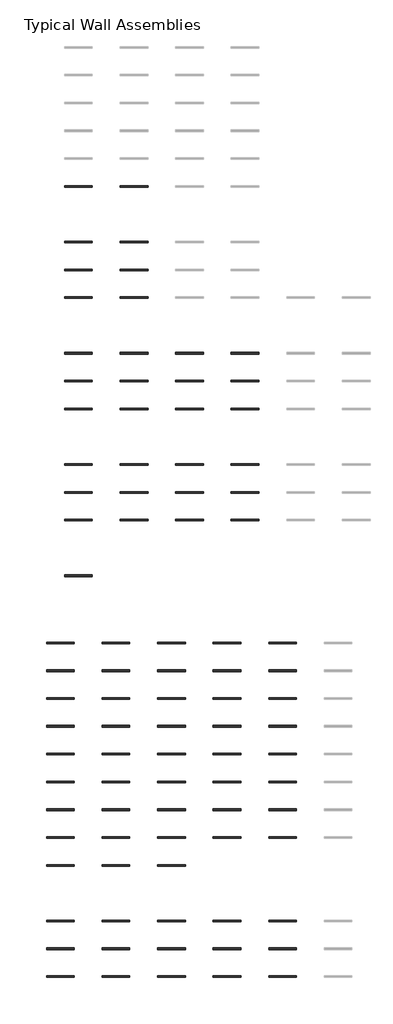
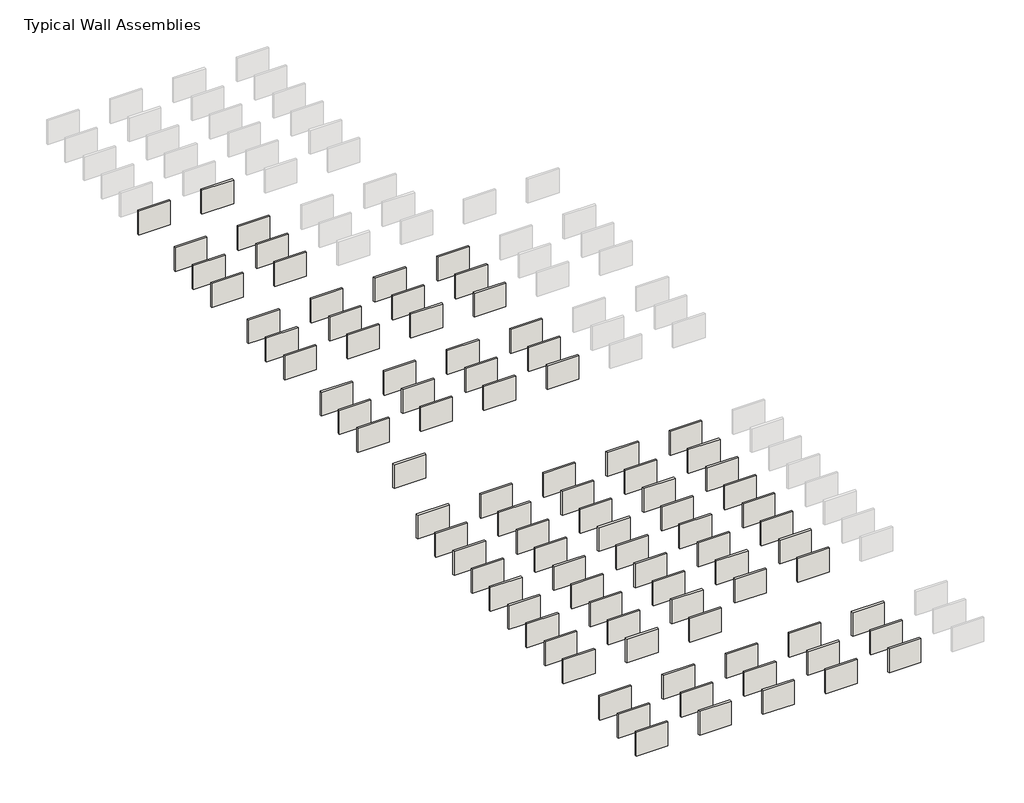
# One storey, part 1 of 8: 91 walls.
"""IFC4 building model written with IfcOpenShell, lengths in millimetres."""

from ifc_helpers import new_model, si_unit, frame, origin, place, context, project, spatial, polyline, outline, extrude, element, save

model = new_model("IFC4")

# Units and contexts
model_context = context("Model", 3, world=origin())
ifc_project = project(units=[si_unit("LENGTHUNIT", "METRE", prefix="MILLI")], contexts=[model_context])

# Site, building, storey
site = spatial("IfcSite", under=ifc_project)
building = spatial("IfcBuilding", under=site)
storey = spatial("IfcBuildingStorey", under=building, Name="Typical Wall Assemblies", Elevation=6096.0)

# Walls
placement = place(None, origin())
element("IfcWall", 1, at=placement, inside=storey, context=model_context, shape_type="SweptSolid", body=[
    extrude(outline(polyline([(-21027.125069, -146182.4405032), (-24075.125069, -146182.4405032), (-24075.125069, -146006.2279991), (-21027.125069, -146006.2279991), (-21027.125069, -146182.4405032)])), frame((0.0, 0.0, 6096.0), z_axis=(0.0, 0.0, 1.0), x_axis=(1.0, 0.0, 0.0)), (0.0, 0.0, 1.0), 2438.4),
])
element("IfcWall", 2, at=placement, inside=storey, context=model_context, shape_type="SweptSolid", body=[
    extrude(outline(polyline([(-21027.125069, -152279.2279032), (-24075.125069, -152279.2279032), (-24075.125069, -152101.4405991), (-21027.125069, -152101.4405991), (-21027.125069, -152279.2279032)])), frame((0.0, 0.0, 6096.0), z_axis=(0.0, 0.0, 1.0), x_axis=(1.0, 0.0, 0.0)), (0.0, 0.0, 1.0), 2438.4),
])
element("IfcWall", 3, at=placement, inside=storey, context=model_context, shape_type="SweptSolid", body=[
    extrude(outline(polyline([(-14931.125069, -146182.4405032), (-17979.125069, -146182.4405032), (-17979.125069, -146006.2279991), (-14931.125069, -146006.2279991), (-14931.125069, -146182.4405032)])), frame((0.0, 0.0, 6096.0), z_axis=(0.0, 0.0, 1.0), x_axis=(1.0, 0.0, 0.0)), (0.0, 0.0, 1.0), 2438.4),
])
element("IfcWall", 4, at=placement, inside=storey, context=model_context, shape_type="SweptSolid", body=[
    extrude(outline(polyline([(-14931.125069, -152279.2279032), (-17979.125069, -152279.2279032), (-17979.125069, -152101.4405991), (-14931.125069, -152101.4405991), (-14931.125069, -152279.2279032)])), frame((0.0, 0.0, 6096.0), z_axis=(0.0, 0.0, 1.0), x_axis=(1.0, 0.0, 0.0)), (0.0, 0.0, 1.0), 2438.4),
])
element("IfcWall", 5, at=placement, inside=storey, context=model_context, shape_type="SweptSolid", body=[
    extrude(outline(polyline([(-21027.125069, -155327.2279032), (-24075.125069, -155327.2279032), (-24075.125069, -155149.4405991), (-21027.125069, -155149.4405991), (-21027.125069, -155327.2279032)])), frame((0.0, 0.0, 6096.0), z_axis=(0.0, 0.0, 1.0), x_axis=(1.0, 0.0, 0.0)), (0.0, 0.0, 1.0), 2438.4),
])
element("IfcWall", 6, at=placement, inside=storey, context=model_context, shape_type="SweptSolid", body=[
    extrude(outline(polyline([(-21027.125069, -158375.2279032), (-24075.125069, -158375.2279032), (-24075.125069, -158197.4405991), (-21027.125069, -158197.4405991), (-21027.125069, -158375.2279032)])), frame((0.0, 0.0, 6096.0), z_axis=(0.0, 0.0, 1.0), x_axis=(1.0, 0.0, 0.0)), (0.0, 0.0, 1.0), 2438.4),
])
element("IfcWall", 7, at=placement, inside=storey, context=model_context, shape_type="SweptSolid", body=[
    extrude(outline(polyline([(-21027.125069, -164471.2279032), (-24075.125069, -164471.2279032), (-24075.125069, -164293.4405991), (-21027.125069, -164293.4405991), (-21027.125069, -164471.2279032)])), frame((0.0, 0.0, 6096.0), z_axis=(0.0, 0.0, 1.0), x_axis=(1.0, 0.0, 0.0)), (0.0, 0.0, 1.0), 2438.4),
])
element("IfcWall", 8, at=placement, inside=storey, context=model_context, shape_type="SweptSolid", body=[
    extrude(outline(polyline([(-21027.125069, -167519.2279032), (-24075.125069, -167519.2279032), (-24075.125069, -167341.4405991), (-21027.125069, -167341.4405991), (-21027.125069, -167519.2279032)])), frame((0.0, 0.0, 6096.0), z_axis=(0.0, 0.0, 1.0), x_axis=(1.0, 0.0, 0.0)), (0.0, 0.0, 1.0), 2438.4),
])
element("IfcWall", 9, at=placement, inside=storey, context=model_context, shape_type="SweptSolid", body=[
    extrude(outline(polyline([(-14931.125069, -155327.2279032), (-17979.125069, -155327.2279032), (-17979.125069, -155149.4405991), (-14931.125069, -155149.4405991), (-14931.125069, -155327.2279032)])), frame((0.0, 0.0, 6096.0), z_axis=(0.0, 0.0, 1.0), x_axis=(1.0, 0.0, 0.0)), (0.0, 0.0, 1.0), 2438.4),
])
element("IfcWall", 10, at=placement, inside=storey, context=model_context, shape_type="SweptSolid", body=[
    extrude(outline(polyline([(-14931.125069, -158375.2279032), (-17979.125069, -158375.2279032), (-17979.125069, -158197.4405991), (-14931.125069, -158197.4405991), (-14931.125069, -158375.2279032)])), frame((0.0, 0.0, 6096.0), z_axis=(0.0, 0.0, 1.0), x_axis=(1.0, 0.0, 0.0)), (0.0, 0.0, 1.0), 2438.4),
])
element("IfcWall", 11, at=placement, inside=storey, context=model_context, shape_type="SweptSolid", body=[
    extrude(outline(polyline([(-14931.125069, -164471.2279032), (-17979.125069, -164471.2279032), (-17979.125069, -164293.4405991), (-14931.125069, -164293.4405991), (-14931.125069, -164471.2279032)])), frame((0.0, 0.0, 6096.0), z_axis=(0.0, 0.0, 1.0), x_axis=(1.0, 0.0, 0.0)), (0.0, 0.0, 1.0), 2438.4),
])
element("IfcWall", 12, at=placement, inside=storey, context=model_context, shape_type="SweptSolid", body=[
    extrude(outline(polyline([(-8835.125069, -164471.2279032), (-11883.125069, -164471.2279032), (-11883.125069, -164293.4405991), (-8835.125069, -164293.4405991), (-8835.125069, -164471.2279032)])), frame((0.0, 0.0, 6096.0), z_axis=(0.0, 0.0, 1.0), x_axis=(1.0, 0.0, 0.0)), (0.0, 0.0, 1.0), 2438.4),
])
element("IfcWall", 13, at=placement, inside=storey, context=model_context, shape_type="SweptSolid", body=[
    extrude(outline(polyline([(-2739.125069, -164471.2279032), (-5787.125069, -164471.2279032), (-5787.125069, -164293.4405991), (-2739.125069, -164293.4405991), (-2739.125069, -164471.2279032)])), frame((0.0, 0.0, 6096.0), z_axis=(0.0, 0.0, 1.0), x_axis=(1.0, 0.0, 0.0)), (0.0, 0.0, 1.0), 2438.4),
])
element("IfcWall", 14, at=placement, inside=storey, context=model_context, shape_type="SweptSolid", body=[
    extrude(outline(polyline([(-14931.125069, -167519.2279032), (-17979.125069, -167519.2279032), (-17979.125069, -167341.4405991), (-14931.125069, -167341.4405991), (-14931.125069, -167519.2279032)])), frame((0.0, 0.0, 6096.0), z_axis=(0.0, 0.0, 1.0), x_axis=(1.0, 0.0, 0.0)), (0.0, 0.0, 1.0), 2438.4),
])
element("IfcWall", 15, at=placement, inside=storey, context=model_context, shape_type="SweptSolid", body=[
    extrude(outline(polyline([(-8835.125069, -167519.2279032), (-11883.125069, -167519.2279032), (-11883.125069, -167341.4405991), (-8835.125069, -167341.4405991), (-8835.125069, -167519.2279032)])), frame((0.0, 0.0, 6096.0), z_axis=(0.0, 0.0, 1.0), x_axis=(1.0, 0.0, 0.0)), (0.0, 0.0, 1.0), 2438.4),
])
element("IfcWall", 16, at=placement, inside=storey, context=model_context, shape_type="SweptSolid", body=[
    extrude(outline(polyline([(-2739.125069, -167519.2279032), (-5787.125069, -167519.2279032), (-5787.125069, -167341.4405991), (-2739.125069, -167341.4405991), (-2739.125069, -167519.2279032)])), frame((0.0, 0.0, 6096.0), z_axis=(0.0, 0.0, 1.0), x_axis=(1.0, 0.0, 0.0)), (0.0, 0.0, 1.0), 2438.4),
])
element("IfcWall", 17, at=placement, inside=storey, context=model_context, shape_type="SweptSolid", body=[
    extrude(outline(polyline([(-21027.125069, -170567.2279032), (-24075.125069, -170567.2279032), (-24075.125069, -170389.4405991), (-21027.125069, -170389.4405991), (-21027.125069, -170567.2279032)])), frame((0.0, 0.0, 6096.0), z_axis=(0.0, 0.0, 1.0), x_axis=(1.0, 0.0, 0.0)), (0.0, 0.0, 1.0), 2438.4),
])
element("IfcWall", 18, at=placement, inside=storey, context=model_context, shape_type="SweptSolid", body=[
    extrude(outline(polyline([(-21027.125069, -176663.2279032), (-24075.125069, -176663.2279032), (-24075.125069, -176485.4405991), (-21027.125069, -176485.4405991), (-21027.125069, -176663.2279032)])), frame((0.0, 0.0, 6096.0), z_axis=(0.0, 0.0, 1.0), x_axis=(1.0, 0.0, 0.0)), (0.0, 0.0, 1.0), 2438.4),
])
element("IfcWall", 19, at=placement, inside=storey, context=model_context, shape_type="SweptSolid", body=[
    extrude(outline(polyline([(-21027.125069, -179711.2279032), (-24075.125069, -179711.2279032), (-24075.125069, -179533.4405991), (-21027.125069, -179533.4405991), (-21027.125069, -179711.2279032)])), frame((0.0, 0.0, 6096.0), z_axis=(0.0, 0.0, 1.0), x_axis=(1.0, 0.0, 0.0)), (0.0, 0.0, 1.0), 2438.4),
])
element("IfcWall", 20, at=placement, inside=storey, context=model_context, shape_type="SweptSolid", body=[
    extrude(outline(polyline([(-21027.125069, -182759.2279032), (-24075.125069, -182759.2279032), (-24075.125069, -182581.4405991), (-21027.125069, -182581.4405991), (-21027.125069, -182759.2279032)])), frame((0.0, 0.0, 6096.0), z_axis=(0.0, 0.0, 1.0), x_axis=(1.0, 0.0, 0.0)), (0.0, 0.0, 1.0), 2438.4),
])
element("IfcWall", 21, at=placement, inside=storey, context=model_context, shape_type="SweptSolid", body=[
    extrude(outline(polyline([(-14931.125069, -170567.2279032), (-17979.125069, -170567.2279032), (-17979.125069, -170389.4405991), (-14931.125069, -170389.4405991), (-14931.125069, -170567.2279032)])), frame((0.0, 0.0, 6096.0), z_axis=(0.0, 0.0, 1.0), x_axis=(1.0, 0.0, 0.0)), (0.0, 0.0, 1.0), 2438.4),
])
element("IfcWall", 22, at=placement, inside=storey, context=model_context, shape_type="SweptSolid", body=[
    extrude(outline(polyline([(-8835.125069, -170567.2279032), (-11883.125069, -170567.2279032), (-11883.125069, -170389.4405991), (-8835.125069, -170389.4405991), (-8835.125069, -170567.2279032)])), frame((0.0, 0.0, 6096.0), z_axis=(0.0, 0.0, 1.0), x_axis=(1.0, 0.0, 0.0)), (0.0, 0.0, 1.0), 2438.4),
])
element("IfcWall", 23, at=placement, inside=storey, context=model_context, shape_type="SweptSolid", body=[
    extrude(outline(polyline([(-2739.125069, -170567.2279032), (-5787.125069, -170567.2279032), (-5787.125069, -170389.4405991), (-2739.125069, -170389.4405991), (-2739.125069, -170567.2279032)])), frame((0.0, 0.0, 6096.0), z_axis=(0.0, 0.0, 1.0), x_axis=(1.0, 0.0, 0.0)), (0.0, 0.0, 1.0), 2438.4),
])
element("IfcWall", 24, at=placement, inside=storey, context=model_context, shape_type="SweptSolid", body=[
    extrude(outline(polyline([(-14931.125069, -176663.2279032), (-17979.125069, -176663.2279032), (-17979.125069, -176485.4405991), (-14931.125069, -176485.4405991), (-14931.125069, -176663.2279032)])), frame((0.0, 0.0, 6096.0), z_axis=(0.0, 0.0, 1.0), x_axis=(1.0, 0.0, 0.0)), (0.0, 0.0, 1.0), 2438.4),
])
element("IfcWall", 25, at=placement, inside=storey, context=model_context, shape_type="SweptSolid", body=[
    extrude(outline(polyline([(-8835.125069, -176663.2279032), (-11883.125069, -176663.2279032), (-11883.125069, -176485.4405991), (-8835.125069, -176485.4405991), (-8835.125069, -176663.2279032)])), frame((0.0, 0.0, 6096.0), z_axis=(0.0, 0.0, 1.0), x_axis=(1.0, 0.0, 0.0)), (0.0, 0.0, 1.0), 2438.4),
])
element("IfcWall", 26, at=placement, inside=storey, context=model_context, shape_type="SweptSolid", body=[
    extrude(outline(polyline([(-2739.125069, -176663.2279032), (-5787.125069, -176663.2279032), (-5787.125069, -176485.4405991), (-2739.125069, -176485.4405991), (-2739.125069, -176663.2279032)])), frame((0.0, 0.0, 6096.0), z_axis=(0.0, 0.0, 1.0), x_axis=(1.0, 0.0, 0.0)), (0.0, 0.0, 1.0), 2438.4),
])
element("IfcWall", 27, at=placement, inside=storey, context=model_context, shape_type="SweptSolid", body=[
    extrude(outline(polyline([(-14931.125069, -179711.2279032), (-17979.125069, -179711.2279032), (-17979.125069, -179533.4405991), (-14931.125069, -179533.4405991), (-14931.125069, -179711.2279032)])), frame((0.0, 0.0, 6096.0), z_axis=(0.0, 0.0, 1.0), x_axis=(1.0, 0.0, 0.0)), (0.0, 0.0, 1.0), 2438.4),
])
element("IfcWall", 28, at=placement, inside=storey, context=model_context, shape_type="SweptSolid", body=[
    extrude(outline(polyline([(-8835.125069, -179711.2279032), (-11883.125069, -179711.2279032), (-11883.125069, -179533.4405991), (-8835.125069, -179533.4405991), (-8835.125069, -179711.2279032)])), frame((0.0, 0.0, 6096.0), z_axis=(0.0, 0.0, 1.0), x_axis=(1.0, 0.0, 0.0)), (0.0, 0.0, 1.0), 2438.4),
])
element("IfcWall", 29, at=placement, inside=storey, context=model_context, shape_type="SweptSolid", body=[
    extrude(outline(polyline([(-2739.125069, -179711.2279032), (-5787.125069, -179711.2279032), (-5787.125069, -179533.4405991), (-2739.125069, -179533.4405991), (-2739.125069, -179711.2279032)])), frame((0.0, 0.0, 6096.0), z_axis=(0.0, 0.0, 1.0), x_axis=(1.0, 0.0, 0.0)), (0.0, 0.0, 1.0), 2438.4),
])
element("IfcWall", 30, at=placement, inside=storey, context=model_context, shape_type="SweptSolid", body=[
    extrude(outline(polyline([(-14931.125069, -182759.2279032), (-17979.125069, -182759.2279032), (-17979.125069, -182581.4405991), (-14931.125069, -182581.4405991), (-14931.125069, -182759.2279032)])), frame((0.0, 0.0, 6096.0), z_axis=(0.0, 0.0, 1.0), x_axis=(1.0, 0.0, 0.0)), (0.0, 0.0, 1.0), 2438.4),
])
element("IfcWall", 31, at=placement, inside=storey, context=model_context, shape_type="SweptSolid", body=[
    extrude(outline(polyline([(-8835.125069, -182759.2279032), (-11883.125069, -182759.2279032), (-11883.125069, -182581.4405991), (-8835.125069, -182581.4405991), (-8835.125069, -182759.2279032)])), frame((0.0, 0.0, 6096.0), z_axis=(0.0, 0.0, 1.0), x_axis=(1.0, 0.0, 0.0)), (0.0, 0.0, 1.0), 2438.4),
])
element("IfcWall", 32, at=placement, inside=storey, context=model_context, shape_type="SweptSolid", body=[
    extrude(outline(polyline([(-2739.125069, -182759.2279032), (-5787.125069, -182759.2279032), (-5787.125069, -182581.4405991), (-2739.125069, -182581.4405991), (-2739.125069, -182759.2279032)])), frame((0.0, 0.0, 6096.0), z_axis=(0.0, 0.0, 1.0), x_axis=(1.0, 0.0, 0.0)), (0.0, 0.0, 1.0), 2438.4),
])
element("IfcWall", 33, at=placement, inside=storey, context=model_context, shape_type="SweptSolid", body=[
    extrude(outline(polyline([(-21027.125069, -188855.2279032), (-24075.125069, -188855.2279032), (-24075.125069, -188677.4405991), (-21027.125069, -188677.4405991), (-21027.125069, -188855.2279032)])), frame((0.0, 0.0, 6096.0), z_axis=(0.0, 0.0, 1.0), x_axis=(1.0, 0.0, 0.0)), (0.0, 0.0, 1.0), 2438.4),
])
element("IfcWall", 34, at=placement, inside=storey, context=model_context, shape_type="SweptSolid", body=[
    extrude(outline(polyline([(-23008.325069, -196211.6362056), (-26056.325069, -196211.6362056), (-26056.325069, -196025.8987021), (-23008.325069, -196025.8987021), (-23008.325069, -196211.6362056)])), frame((0.0, 0.0, 6096.0), z_axis=(0.0, 0.0, 1.0), x_axis=(1.0, 0.0, 0.0)), (0.0, 0.0, 1.0), 2438.4),
])
element("IfcWall", 35, at=placement, inside=storey, context=model_context, shape_type="SweptSolid", body=[
    extrude(outline(polyline([(-16912.325069, -196211.6362056), (-19960.325069, -196211.6362056), (-19960.325069, -196025.8987021), (-16912.325069, -196025.8987021), (-16912.325069, -196211.6362056)])), frame((0.0, 0.0, 6096.0), z_axis=(0.0, 0.0, 1.0), x_axis=(1.0, 0.0, 0.0)), (0.0, 0.0, 1.0), 2438.4),
])
element("IfcWall", 36, at=placement, inside=storey, context=model_context, shape_type="SweptSolid", body=[
    extrude(outline(polyline([(-10816.325069, -196211.6362056), (-13864.325069, -196211.6362056), (-13864.325069, -196025.8987021), (-10816.325069, -196025.8987021), (-10816.325069, -196211.6362056)])), frame((0.0, 0.0, 6096.0), z_axis=(0.0, 0.0, 1.0), x_axis=(1.0, 0.0, 0.0)), (0.0, 0.0, 1.0), 2438.4),
])
element("IfcWall", 37, at=placement, inside=storey, context=model_context, shape_type="SweptSolid", body=[
    extrude(outline(polyline([(-4720.325069, -196211.6362056), (-7768.325069, -196211.6362056), (-7768.325069, -196025.8987021), (-4720.325069, -196025.8987021), (-4720.325069, -196211.6362056)])), frame((0.0, 0.0, 6096.0), z_axis=(0.0, 0.0, 1.0), x_axis=(1.0, 0.0, 0.0)), (0.0, 0.0, 1.0), 2438.4),
])
element("IfcWall", 38, at=placement, inside=storey, context=model_context, shape_type="SweptSolid", body=[
    extrude(outline(polyline([(1375.674931, -196211.6362056), (-1672.325069, -196211.6362056), (-1672.325069, -196025.8987021), (1375.674931, -196025.8987021), (1375.674931, -196211.6362056)])), frame((0.0, 0.0, 6096.0), z_axis=(0.0, 0.0, 1.0), x_axis=(1.0, 0.0, 0.0)), (0.0, 0.0, 1.0), 2438.4),
])
element("IfcWall", 39, at=placement, inside=storey, context=model_context, shape_type="SweptSolid", body=[
    extrude(outline(polyline([(-23008.325069, -199259.6362056), (-26056.325069, -199259.6362056), (-26056.325069, -199073.8987021), (-23008.325069, -199073.8987021), (-23008.325069, -199259.6362056)])), frame((0.0, 0.0, 6096.0), z_axis=(0.0, 0.0, 1.0), x_axis=(1.0, 0.0, 0.0)), (0.0, 0.0, 1.0), 2438.4),
])
element("IfcWall", 40, at=placement, inside=storey, context=model_context, shape_type="SweptSolid", body=[
    extrude(outline(polyline([(-23008.325069, -202307.6362056), (-26056.325069, -202307.6362056), (-26056.325069, -202121.8987021), (-23008.325069, -202121.8987021), (-23008.325069, -202307.6362056)])), frame((0.0, 0.0, 6096.0), z_axis=(0.0, 0.0, 1.0), x_axis=(1.0, 0.0, 0.0)), (0.0, 0.0, 1.0), 2438.4),
])
element("IfcWall", 41, at=placement, inside=storey, context=model_context, shape_type="SweptSolid", body=[
    extrude(outline(polyline([(-23008.325069, -205355.6362056), (-26056.325069, -205355.6362056), (-26056.325069, -205169.8987021), (-23008.325069, -205169.8987021), (-23008.325069, -205355.6362056)])), frame((0.0, 0.0, 6096.0), z_axis=(0.0, 0.0, 1.0), x_axis=(1.0, 0.0, 0.0)), (0.0, 0.0, 1.0), 2438.4),
])
element("IfcWall", 42, at=placement, inside=storey, context=model_context, shape_type="SweptSolid", body=[
    extrude(outline(polyline([(-23008.325069, -208403.6362056), (-26056.325069, -208403.6362056), (-26056.325069, -208217.8987021), (-23008.325069, -208217.8987021), (-23008.325069, -208403.6362056)])), frame((0.0, 0.0, 6096.0), z_axis=(0.0, 0.0, 1.0), x_axis=(1.0, 0.0, 0.0)), (0.0, 0.0, 1.0), 2438.4),
])
element("IfcWall", 43, at=placement, inside=storey, context=model_context, shape_type="SweptSolid", body=[
    extrude(outline(polyline([(-16912.325069, -199259.6362056), (-19960.325069, -199259.6362056), (-19960.325069, -199073.8987021), (-16912.325069, -199073.8987021), (-16912.325069, -199259.6362056)])), frame((0.0, 0.0, 6096.0), z_axis=(0.0, 0.0, 1.0), x_axis=(1.0, 0.0, 0.0)), (0.0, 0.0, 1.0), 2438.4),
])
element("IfcWall", 44, at=placement, inside=storey, context=model_context, shape_type="SweptSolid", body=[
    extrude(outline(polyline([(-10816.325069, -199259.6362056), (-13864.325069, -199259.6362056), (-13864.325069, -199073.8987021), (-10816.325069, -199073.8987021), (-10816.325069, -199259.6362056)])), frame((0.0, 0.0, 6096.0), z_axis=(0.0, 0.0, 1.0), x_axis=(1.0, 0.0, 0.0)), (0.0, 0.0, 1.0), 2438.4),
])
element("IfcWall", 45, at=placement, inside=storey, context=model_context, shape_type="SweptSolid", body=[
    extrude(outline(polyline([(-4720.325069, -199259.6362056), (-7768.325069, -199259.6362056), (-7768.325069, -199073.8987021), (-4720.325069, -199073.8987021), (-4720.325069, -199259.6362056)])), frame((0.0, 0.0, 6096.0), z_axis=(0.0, 0.0, 1.0), x_axis=(1.0, 0.0, 0.0)), (0.0, 0.0, 1.0), 2438.4),
])
element("IfcWall", 46, at=placement, inside=storey, context=model_context, shape_type="SweptSolid", body=[
    extrude(outline(polyline([(1375.674931, -199259.6362056), (-1672.325069, -199259.6362056), (-1672.325069, -199073.8987021), (1375.674931, -199073.8987021), (1375.674931, -199259.6362056)])), frame((0.0, 0.0, 6096.0), z_axis=(0.0, 0.0, 1.0), x_axis=(1.0, 0.0, 0.0)), (0.0, 0.0, 1.0), 2438.4),
])
element("IfcWall", 47, at=placement, inside=storey, context=model_context, shape_type="SweptSolid", body=[
    extrude(outline(polyline([(-16912.325069, -202307.6362056), (-19960.325069, -202307.6362056), (-19960.325069, -202121.8987021), (-16912.325069, -202121.8987021), (-16912.325069, -202307.6362056)])), frame((0.0, 0.0, 6096.0), z_axis=(0.0, 0.0, 1.0), x_axis=(1.0, 0.0, 0.0)), (0.0, 0.0, 1.0), 2438.4),
])
element("IfcWall", 48, at=placement, inside=storey, context=model_context, shape_type="SweptSolid", body=[
    extrude(outline(polyline([(-10816.325069, -202307.6362056), (-13864.325069, -202307.6362056), (-13864.325069, -202121.8987021), (-10816.325069, -202121.8987021), (-10816.325069, -202307.6362056)])), frame((0.0, 0.0, 6096.0), z_axis=(0.0, 0.0, 1.0), x_axis=(1.0, 0.0, 0.0)), (0.0, 0.0, 1.0), 2438.4),
])
element("IfcWall", 49, at=placement, inside=storey, context=model_context, shape_type="SweptSolid", body=[
    extrude(outline(polyline([(-4720.325069, -202307.6362056), (-7768.325069, -202307.6362056), (-7768.325069, -202121.8987021), (-4720.325069, -202121.8987021), (-4720.325069, -202307.6362056)])), frame((0.0, 0.0, 6096.0), z_axis=(0.0, 0.0, 1.0), x_axis=(1.0, 0.0, 0.0)), (0.0, 0.0, 1.0), 2438.4),
])
element("IfcWall", 50, at=placement, inside=storey, context=model_context, shape_type="SweptSolid", body=[
    extrude(outline(polyline([(1375.674931, -202307.6362056), (-1672.325069, -202307.6362056), (-1672.325069, -202121.8987021), (1375.674931, -202121.8987021), (1375.674931, -202307.6362056)])), frame((0.0, 0.0, 6096.0), z_axis=(0.0, 0.0, 1.0), x_axis=(1.0, 0.0, 0.0)), (0.0, 0.0, 1.0), 2438.4),
])
element("IfcWall", 51, at=placement, inside=storey, context=model_context, shape_type="SweptSolid", body=[
    extrude(outline(polyline([(-16912.325069, -205355.6362056), (-19960.325069, -205355.6362056), (-19960.325069, -205169.8987021), (-16912.325069, -205169.8987021), (-16912.325069, -205355.6362056)])), frame((0.0, 0.0, 6096.0), z_axis=(0.0, 0.0, 1.0), x_axis=(1.0, 0.0, 0.0)), (0.0, 0.0, 1.0), 2438.4),
])
element("IfcWall", 52, at=placement, inside=storey, context=model_context, shape_type="SweptSolid", body=[
    extrude(outline(polyline([(-10816.325069, -205355.6362056), (-13864.325069, -205355.6362056), (-13864.325069, -205169.8987021), (-10816.325069, -205169.8987021), (-10816.325069, -205355.6362056)])), frame((0.0, 0.0, 6096.0), z_axis=(0.0, 0.0, 1.0), x_axis=(1.0, 0.0, 0.0)), (0.0, 0.0, 1.0), 2438.4),
])
element("IfcWall", 53, at=placement, inside=storey, context=model_context, shape_type="SweptSolid", body=[
    extrude(outline(polyline([(-4720.325069, -205355.6362056), (-7768.325069, -205355.6362056), (-7768.325069, -205169.8987021), (-4720.325069, -205169.8987021), (-4720.325069, -205355.6362056)])), frame((0.0, 0.0, 6096.0), z_axis=(0.0, 0.0, 1.0), x_axis=(1.0, 0.0, 0.0)), (0.0, 0.0, 1.0), 2438.4),
])
element("IfcWall", 54, at=placement, inside=storey, context=model_context, shape_type="SweptSolid", body=[
    extrude(outline(polyline([(1375.674931, -205355.6362056), (-1672.325069, -205355.6362056), (-1672.325069, -205169.8987021), (1375.674931, -205169.8987021), (1375.674931, -205355.6362056)])), frame((0.0, 0.0, 6096.0), z_axis=(0.0, 0.0, 1.0), x_axis=(1.0, 0.0, 0.0)), (0.0, 0.0, 1.0), 2438.4),
])
element("IfcWall", 55, at=placement, inside=storey, context=model_context, shape_type="SweptSolid", body=[
    extrude(outline(polyline([(-16912.325069, -208403.6362056), (-19960.325069, -208403.6362056), (-19960.325069, -208217.8987021), (-16912.325069, -208217.8987021), (-16912.325069, -208403.6362056)])), frame((0.0, 0.0, 6096.0), z_axis=(0.0, 0.0, 1.0), x_axis=(1.0, 0.0, 0.0)), (0.0, 0.0, 1.0), 2438.4),
])
element("IfcWall", 56, at=placement, inside=storey, context=model_context, shape_type="SweptSolid", body=[
    extrude(outline(polyline([(-10816.325069, -208403.6362056), (-13864.325069, -208403.6362056), (-13864.325069, -208217.8987021), (-10816.325069, -208217.8987021), (-10816.325069, -208403.6362056)])), frame((0.0, 0.0, 6096.0), z_axis=(0.0, 0.0, 1.0), x_axis=(1.0, 0.0, 0.0)), (0.0, 0.0, 1.0), 2438.4),
])
element("IfcWall", 57, at=placement, inside=storey, context=model_context, shape_type="SweptSolid", body=[
    extrude(outline(polyline([(-4720.325069, -208403.6362056), (-7768.325069, -208403.6362056), (-7768.325069, -208217.8987021), (-4720.325069, -208217.8987021), (-4720.325069, -208403.6362056)])), frame((0.0, 0.0, 6096.0), z_axis=(0.0, 0.0, 1.0), x_axis=(1.0, 0.0, 0.0)), (0.0, 0.0, 1.0), 2438.4),
])
element("IfcWall", 58, at=placement, inside=storey, context=model_context, shape_type="SweptSolid", body=[
    extrude(outline(polyline([(1375.674931, -208403.6362056), (-1672.325069, -208403.6362056), (-1672.325069, -208217.8987021), (1375.674931, -208217.8987021), (1375.674931, -208403.6362056)])), frame((0.0, 0.0, 6096.0), z_axis=(0.0, 0.0, 1.0), x_axis=(1.0, 0.0, 0.0)), (0.0, 0.0, 1.0), 2438.4),
])
element("IfcWall", 59, at=placement, inside=storey, context=model_context, shape_type="SweptSolid", body=[
    extrude(outline(polyline([(-23008.325069, -211451.6362056), (-26056.325069, -211451.6362056), (-26056.325069, -211265.8987021), (-23008.325069, -211265.8987021), (-23008.325069, -211451.6362056)])), frame((0.0, 0.0, 6096.0), z_axis=(0.0, 0.0, 1.0), x_axis=(1.0, 0.0, 0.0)), (0.0, 0.0, 1.0), 2438.4),
])
element("IfcWall", 60, at=placement, inside=storey, context=model_context, shape_type="SweptSolid", body=[
    extrude(outline(polyline([(-23008.325069, -214499.6362056), (-26056.325069, -214499.6362056), (-26056.325069, -214313.8987021), (-23008.325069, -214313.8987021), (-23008.325069, -214499.6362056)])), frame((0.0, 0.0, 6096.0), z_axis=(0.0, 0.0, 1.0), x_axis=(1.0, 0.0, 0.0)), (0.0, 0.0, 1.0), 2438.4),
])
element("IfcWall", 61, at=placement, inside=storey, context=model_context, shape_type="SweptSolid", body=[
    extrude(outline(polyline([(-23008.325069, -217547.6362056), (-26056.325069, -217547.6362056), (-26056.325069, -217361.8987021), (-23008.325069, -217361.8987021), (-23008.325069, -217547.6362056)])), frame((0.0, 0.0, 6096.0), z_axis=(0.0, 0.0, 1.0), x_axis=(1.0, 0.0, 0.0)), (0.0, 0.0, 1.0), 2438.4),
])
element("IfcWall", 62, at=placement, inside=storey, context=model_context, shape_type="SweptSolid", body=[
    extrude(outline(polyline([(-23008.325069, -220595.6362056), (-26056.325069, -220595.6362056), (-26056.325069, -220409.8987021), (-23008.325069, -220409.8987021), (-23008.325069, -220595.6362056)])), frame((0.0, 0.0, 6096.0), z_axis=(0.0, 0.0, 1.0), x_axis=(1.0, 0.0, 0.0)), (0.0, 0.0, 1.0), 2438.4),
])
element("IfcWall", 63, at=placement, inside=storey, context=model_context, shape_type="SweptSolid", body=[
    extrude(outline(polyline([(-16912.325069, -211451.6362056), (-19960.325069, -211451.6362056), (-19960.325069, -211265.8987021), (-16912.325069, -211265.8987021), (-16912.325069, -211451.6362056)])), frame((0.0, 0.0, 6096.0), z_axis=(0.0, 0.0, 1.0), x_axis=(1.0, 0.0, 0.0)), (0.0, 0.0, 1.0), 2438.4),
])
element("IfcWall", 64, at=placement, inside=storey, context=model_context, shape_type="SweptSolid", body=[
    extrude(outline(polyline([(-10816.325069, -211451.6362056), (-13864.325069, -211451.6362056), (-13864.325069, -211265.8987021), (-10816.325069, -211265.8987021), (-10816.325069, -211451.6362056)])), frame((0.0, 0.0, 6096.0), z_axis=(0.0, 0.0, 1.0), x_axis=(1.0, 0.0, 0.0)), (0.0, 0.0, 1.0), 2438.4),
])
element("IfcWall", 65, at=placement, inside=storey, context=model_context, shape_type="SweptSolid", body=[
    extrude(outline(polyline([(-4720.325069, -211451.6362056), (-7768.325069, -211451.6362056), (-7768.325069, -211265.8987021), (-4720.325069, -211265.8987021), (-4720.325069, -211451.6362056)])), frame((0.0, 0.0, 6096.0), z_axis=(0.0, 0.0, 1.0), x_axis=(1.0, 0.0, 0.0)), (0.0, 0.0, 1.0), 2438.4),
])
element("IfcWall", 66, at=placement, inside=storey, context=model_context, shape_type="SweptSolid", body=[
    extrude(outline(polyline([(1375.674931, -211451.6362056), (-1672.325069, -211451.6362056), (-1672.325069, -211265.8987021), (1375.674931, -211265.8987021), (1375.674931, -211451.6362056)])), frame((0.0, 0.0, 6096.0), z_axis=(0.0, 0.0, 1.0), x_axis=(1.0, 0.0, 0.0)), (0.0, 0.0, 1.0), 2438.4),
])
element("IfcWall", 67, at=placement, inside=storey, context=model_context, shape_type="SweptSolid", body=[
    extrude(outline(polyline([(-16912.325069, -214499.6362056), (-19960.325069, -214499.6362056), (-19960.325069, -214313.8987021), (-16912.325069, -214313.8987021), (-16912.325069, -214499.6362056)])), frame((0.0, 0.0, 6096.0), z_axis=(0.0, 0.0, 1.0), x_axis=(1.0, 0.0, 0.0)), (0.0, 0.0, 1.0), 2438.4),
])
element("IfcWall", 68, at=placement, inside=storey, context=model_context, shape_type="SweptSolid", body=[
    extrude(outline(polyline([(-10816.325069, -214499.6362056), (-13864.325069, -214499.6362056), (-13864.325069, -214313.8987021), (-10816.325069, -214313.8987021), (-10816.325069, -214499.6362056)])), frame((0.0, 0.0, 6096.0), z_axis=(0.0, 0.0, 1.0), x_axis=(1.0, 0.0, 0.0)), (0.0, 0.0, 1.0), 2438.4),
])
element("IfcWall", 69, at=placement, inside=storey, context=model_context, shape_type="SweptSolid", body=[
    extrude(outline(polyline([(-4720.325069, -214499.6362056), (-7768.325069, -214499.6362056), (-7768.325069, -214313.8987021), (-4720.325069, -214313.8987021), (-4720.325069, -214499.6362056)])), frame((0.0, 0.0, 6096.0), z_axis=(0.0, 0.0, 1.0), x_axis=(1.0, 0.0, 0.0)), (0.0, 0.0, 1.0), 2438.4),
])
element("IfcWall", 70, at=placement, inside=storey, context=model_context, shape_type="SweptSolid", body=[
    extrude(outline(polyline([(1375.674931, -214499.6362056), (-1672.325069, -214499.6362056), (-1672.325069, -214313.8987021), (1375.674931, -214313.8987021), (1375.674931, -214499.6362056)])), frame((0.0, 0.0, 6096.0), z_axis=(0.0, 0.0, 1.0), x_axis=(1.0, 0.0, 0.0)), (0.0, 0.0, 1.0), 2438.4),
])
element("IfcWall", 71, at=placement, inside=storey, context=model_context, shape_type="SweptSolid", body=[
    extrude(outline(polyline([(-16912.325069, -217547.6362056), (-19960.325069, -217547.6362056), (-19960.325069, -217361.8987021), (-16912.325069, -217361.8987021), (-16912.325069, -217547.6362056)])), frame((0.0, 0.0, 6096.0), z_axis=(0.0, 0.0, 1.0), x_axis=(1.0, 0.0, 0.0)), (0.0, 0.0, 1.0), 2438.4),
])
element("IfcWall", 72, at=placement, inside=storey, context=model_context, shape_type="SweptSolid", body=[
    extrude(outline(polyline([(-10816.325069, -217547.6362056), (-13864.325069, -217547.6362056), (-13864.325069, -217361.8987021), (-10816.325069, -217361.8987021), (-10816.325069, -217547.6362056)])), frame((0.0, 0.0, 6096.0), z_axis=(0.0, 0.0, 1.0), x_axis=(1.0, 0.0, 0.0)), (0.0, 0.0, 1.0), 2438.4),
])
element("IfcWall", 73, at=placement, inside=storey, context=model_context, shape_type="SweptSolid", body=[
    extrude(outline(polyline([(-4720.325069, -217547.6362056), (-7768.325069, -217547.6362056), (-7768.325069, -217361.8987021), (-4720.325069, -217361.8987021), (-4720.325069, -217547.6362056)])), frame((0.0, 0.0, 6096.0), z_axis=(0.0, 0.0, 1.0), x_axis=(1.0, 0.0, 0.0)), (0.0, 0.0, 1.0), 2438.4),
])
element("IfcWall", 74, at=placement, inside=storey, context=model_context, shape_type="SweptSolid", body=[
    extrude(outline(polyline([(1375.674931, -217547.6362056), (-1672.325069, -217547.6362056), (-1672.325069, -217361.8987021), (1375.674931, -217361.8987021), (1375.674931, -217547.6362056)])), frame((0.0, 0.0, 6096.0), z_axis=(0.0, 0.0, 1.0), x_axis=(1.0, 0.0, 0.0)), (0.0, 0.0, 1.0), 2438.4),
])
element("IfcWall", 75, at=placement, inside=storey, context=model_context, shape_type="SweptSolid", body=[
    extrude(outline(polyline([(-16912.325069, -220595.6362056), (-19960.325069, -220595.6362056), (-19960.325069, -220409.8987021), (-16912.325069, -220409.8987021), (-16912.325069, -220595.6362056)])), frame((0.0, 0.0, 6096.0), z_axis=(0.0, 0.0, 1.0), x_axis=(1.0, 0.0, 0.0)), (0.0, 0.0, 1.0), 2438.4),
])
element("IfcWall", 76, at=placement, inside=storey, context=model_context, shape_type="SweptSolid", body=[
    extrude(outline(polyline([(-10816.325069, -220595.6362056), (-13864.325069, -220595.6362056), (-13864.325069, -220409.8987021), (-10816.325069, -220409.8987021), (-10816.325069, -220595.6362056)])), frame((0.0, 0.0, 6096.0), z_axis=(0.0, 0.0, 1.0), x_axis=(1.0, 0.0, 0.0)), (0.0, 0.0, 1.0), 2438.4),
])
element("IfcWall", 77, at=placement, inside=storey, context=model_context, shape_type="SweptSolid", body=[
    extrude(outline(polyline([(-23008.325069, -226691.6362056), (-26056.325069, -226691.6362056), (-26056.325069, -226505.8987021), (-23008.325069, -226505.8987021), (-23008.325069, -226691.6362056)])), frame((0.0, 0.0, 6096.0), z_axis=(0.0, 0.0, 1.0), x_axis=(1.0, 0.0, 0.0)), (0.0, 0.0, 1.0), 2438.4),
])
element("IfcWall", 78, at=placement, inside=storey, context=model_context, shape_type="SweptSolid", body=[
    extrude(outline(polyline([(-23008.325069, -229739.6362056), (-26056.325069, -229739.6362056), (-26056.325069, -229553.8987021), (-23008.325069, -229553.8987021), (-23008.325069, -229739.6362056)])), frame((0.0, 0.0, 6096.0), z_axis=(0.0, 0.0, 1.0), x_axis=(1.0, 0.0, 0.0)), (0.0, 0.0, 1.0), 2438.4),
])
element("IfcWall", 79, at=placement, inside=storey, context=model_context, shape_type="SweptSolid", body=[
    extrude(outline(polyline([(-23008.325069, -232787.6362056), (-26056.325069, -232787.6362056), (-26056.325069, -232601.8987021), (-23008.325069, -232601.8987021), (-23008.325069, -232787.6362056)])), frame((0.0, 0.0, 6096.0), z_axis=(0.0, 0.0, 1.0), x_axis=(1.0, 0.0, 0.0)), (0.0, 0.0, 1.0), 2438.4),
])
element("IfcWall", 80, at=placement, inside=storey, context=model_context, shape_type="SweptSolid", body=[
    extrude(outline(polyline([(-16912.325069, -226691.6362056), (-19960.325069, -226691.6362056), (-19960.325069, -226505.8987021), (-16912.325069, -226505.8987021), (-16912.325069, -226691.6362056)])), frame((0.0, 0.0, 6096.0), z_axis=(0.0, 0.0, 1.0), x_axis=(1.0, 0.0, 0.0)), (0.0, 0.0, 1.0), 2438.4),
])
element("IfcWall", 81, at=placement, inside=storey, context=model_context, shape_type="SweptSolid", body=[
    extrude(outline(polyline([(-10816.325069, -226691.6362056), (-13864.325069, -226691.6362056), (-13864.325069, -226505.8987021), (-10816.325069, -226505.8987021), (-10816.325069, -226691.6362056)])), frame((0.0, 0.0, 6096.0), z_axis=(0.0, 0.0, 1.0), x_axis=(1.0, 0.0, 0.0)), (0.0, 0.0, 1.0), 2438.4),
])
element("IfcWall", 82, at=placement, inside=storey, context=model_context, shape_type="SweptSolid", body=[
    extrude(outline(polyline([(-4720.325069, -226691.6362056), (-7768.325069, -226691.6362056), (-7768.325069, -226505.8987021), (-4720.325069, -226505.8987021), (-4720.325069, -226691.6362056)])), frame((0.0, 0.0, 6096.0), z_axis=(0.0, 0.0, 1.0), x_axis=(1.0, 0.0, 0.0)), (0.0, 0.0, 1.0), 2438.4),
])
element("IfcWall", 83, at=placement, inside=storey, context=model_context, shape_type="SweptSolid", body=[
    extrude(outline(polyline([(1375.674931, -226691.6362056), (-1672.325069, -226691.6362056), (-1672.325069, -226505.8987021), (1375.674931, -226505.8987021), (1375.674931, -226691.6362056)])), frame((0.0, 0.0, 6096.0), z_axis=(0.0, 0.0, 1.0), x_axis=(1.0, 0.0, 0.0)), (0.0, 0.0, 1.0), 2438.4),
])
element("IfcWall", 84, at=placement, inside=storey, context=model_context, shape_type="SweptSolid", body=[
    extrude(outline(polyline([(-16912.325069, -229739.6362056), (-19960.325069, -229739.6362056), (-19960.325069, -229553.8987021), (-16912.325069, -229553.8987021), (-16912.325069, -229739.6362056)])), frame((0.0, 0.0, 6096.0), z_axis=(0.0, 0.0, 1.0), x_axis=(1.0, 0.0, 0.0)), (0.0, 0.0, 1.0), 2438.4),
])
element("IfcWall", 85, at=placement, inside=storey, context=model_context, shape_type="SweptSolid", body=[
    extrude(outline(polyline([(-10816.325069, -229739.6362056), (-13864.325069, -229739.6362056), (-13864.325069, -229553.8987021), (-10816.325069, -229553.8987021), (-10816.325069, -229739.6362056)])), frame((0.0, 0.0, 6096.0), z_axis=(0.0, 0.0, 1.0), x_axis=(1.0, 0.0, 0.0)), (0.0, 0.0, 1.0), 2438.4),
])
element("IfcWall", 86, at=placement, inside=storey, context=model_context, shape_type="SweptSolid", body=[
    extrude(outline(polyline([(-4720.325069, -229739.6362056), (-7768.325069, -229739.6362056), (-7768.325069, -229553.8987021), (-4720.325069, -229553.8987021), (-4720.325069, -229739.6362056)])), frame((0.0, 0.0, 6096.0), z_axis=(0.0, 0.0, 1.0), x_axis=(1.0, 0.0, 0.0)), (0.0, 0.0, 1.0), 2438.4),
])
element("IfcWall", 87, at=placement, inside=storey, context=model_context, shape_type="SweptSolid", body=[
    extrude(outline(polyline([(1375.674931, -229739.6362056), (-1672.325069, -229739.6362056), (-1672.325069, -229553.8987021), (1375.674931, -229553.8987021), (1375.674931, -229739.6362056)])), frame((0.0, 0.0, 6096.0), z_axis=(0.0, 0.0, 1.0), x_axis=(1.0, 0.0, 0.0)), (0.0, 0.0, 1.0), 2438.4),
])
element("IfcWall", 88, at=placement, inside=storey, context=model_context, shape_type="SweptSolid", body=[
    extrude(outline(polyline([(-16912.325069, -232787.6362056), (-19960.325069, -232787.6362056), (-19960.325069, -232601.8987021), (-16912.325069, -232601.8987021), (-16912.325069, -232787.6362056)])), frame((0.0, 0.0, 6096.0), z_axis=(0.0, 0.0, 1.0), x_axis=(1.0, 0.0, 0.0)), (0.0, 0.0, 1.0), 2438.4),
])
element("IfcWall", 89, at=placement, inside=storey, context=model_context, shape_type="SweptSolid", body=[
    extrude(outline(polyline([(-10816.325069, -232787.6362056), (-13864.325069, -232787.6362056), (-13864.325069, -232601.8987021), (-10816.325069, -232601.8987021), (-10816.325069, -232787.6362056)])), frame((0.0, 0.0, 6096.0), z_axis=(0.0, 0.0, 1.0), x_axis=(1.0, 0.0, 0.0)), (0.0, 0.0, 1.0), 2438.4),
])
element("IfcWall", 90, at=placement, inside=storey, context=model_context, shape_type="SweptSolid", body=[
    extrude(outline(polyline([(-4720.325069, -232787.6362056), (-7768.325069, -232787.6362056), (-7768.325069, -232601.8987021), (-4720.325069, -232601.8987021), (-4720.325069, -232787.6362056)])), frame((0.0, 0.0, 6096.0), z_axis=(0.0, 0.0, 1.0), x_axis=(1.0, 0.0, 0.0)), (0.0, 0.0, 1.0), 2438.4),
])
element("IfcWall", 91, at=placement, inside=storey, context=model_context, shape_type="SweptSolid", body=[
    extrude(outline(polyline([(1375.674931, -232787.6362056), (-1672.325069, -232787.6362056), (-1672.325069, -232601.8987021), (1375.674931, -232601.8987021), (1375.674931, -232787.6362056)])), frame((0.0, 0.0, 6096.0), z_axis=(0.0, 0.0, 1.0), x_axis=(1.0, 0.0, 0.0)), (0.0, 0.0, 1.0), 2438.4),
])

save(model, "model.ifc")
